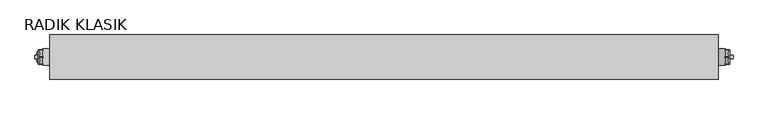
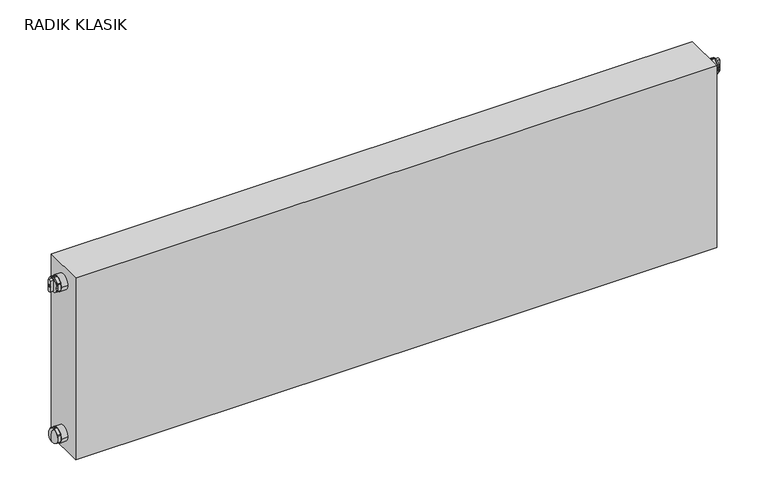
"""IFC4 building model written with IfcOpenShell, lengths in millimetres: proxy geometry, RADIK KLASIK."""

from ifc_helpers import new_model, si_unit, point, frame, frame_2d, origin, place, context, project, spatial, polyline, circle_curve, ellipse_curve, trimmed, segment, composite_curve, outline, extrude, source, transform, mapped, element, save
from ifc_brep_helpers import plane_surface, revolved_surface, advanced_brep


def radik_klasik_e88d8e5c(model_context):
    return source(origin(), model_context, "Body", "SolidModel", [
        advanced_brep(
        [(-515.0, -33.0, 114.2179803), (-519.9999931, -33.0, 125.0), (-515.0, -33.0, 135.7820197), (-515.0, -33.0, 125.0)],
        [
            (0, 1, ellipse_curve(frame((-515.0, -33.0, 125.0179803), z_axis=(0.0, 1.0, 0.0), x_axis=(0.0, 0.0, -1.0)), 10.8, 5.0)),
            (1, 2, ellipse_curve(frame((-515.0, -33.0, 124.9820197), z_axis=(0.0, 1.0, 0.0), x_axis=(0.0, 0.0, 1.0)), 10.8, 5.0)),
            (2, 0, circle_curve(frame((-515.0, -33.0, 125.0), z_axis=(-1.0, 0.0, 0.0), x_axis=(0.0, 0.0, 1.0)), 10.7820197)),
            (0, 2, circle_curve(frame((-515.0, -33.0, 125.0), z_axis=(-1.0, 0.0, 0.0), x_axis=(0.0, 0.0, 1.0)), 10.7820197)),
            (3, 0),
            (2, 3),
        ],
        [
            revolved_surface(trimmed(ellipse_curve(frame((-515.0, -33.0, 124.9820197), z_axis=(0.0, 1.0, 0.0), x_axis=(0.0, 0.0, 1.0)), 10.8, 5.0), [point((-519.9999931, -33.0, 125.0))], [point((-515.0, -33.0, 135.7820197))], True, "CARTESIAN"), (-524.1201305, -33.0, 125.0), (1.0, 0.0, 0.0)),
            plane_surface(frame((-515.0, -33.0, 125.0), z_axis=(1.0, 0.0, 0.0), x_axis=(0.0, 0.0, 1.0))),
        ],
        [
            (0, [[1, 2, 3]]),
            (0, [[-2, -1, 4]]),
            (1, [[5, -3, 6]]),
            (1, [[-6, -4, -5]]),
        ],
    ),
        extrude(outline(composite_curve([segment(trimmed(circle_curve(frame_2d((-33.0, 125.0)), 12.0), [point((-43.8253175, 130.1780788))], [point((-42.8970066, 131.7859606))], False, "CARTESIAN"), True, "CONTINUOUS"), segment(polyline([(-42.8970066, 131.7859606), (-33.928311, 136.9640394)]), True, "CONTINUOUS"), segment(trimmed(circle_curve(frame_2d((-33.0, 125.0)), 12.0), [point((-33.928311, 136.9640394))], [point((-32.071689, 136.9640394))], False, "CARTESIAN"), True, "CONTINUOUS"), segment(polyline([(-32.071689, 136.9640394), (-23.1029934, 131.7859606)]), True, "CONTINUOUS"), segment(trimmed(circle_curve(frame_2d((-33.0, 125.0)), 12.0), [point((-23.1029934, 131.7859606))], [point((-22.1746825, 130.1780788))], False, "CARTESIAN"), True, "CONTINUOUS"), segment(polyline([(-22.1746825, 130.1780788), (-22.1746825, 119.8219212)]), True, "CONTINUOUS"), segment(trimmed(circle_curve(frame_2d((-33.0, 125.0)), 12.0), [point((-22.1746825, 119.8219212))], [point((-23.1029934, 118.2140394))], False, "CARTESIAN"), True, "CONTINUOUS"), segment(polyline([(-23.1029934, 118.2140394), (-32.071689, 113.0359606)]), True, "CONTINUOUS"), segment(trimmed(circle_curve(frame_2d((-33.0, 125.0)), 12.0), [point((-32.071689, 113.0359606))], [point((-33.928311, 113.0359606))], False, "CARTESIAN"), True, "CONTINUOUS"), segment(polyline([(-33.928311, 113.0359606), (-42.8970066, 118.2140394)]), True, "CONTINUOUS"), segment(trimmed(circle_curve(frame_2d((-33.0, 125.0)), 12.0), [point((-42.8970066, 118.2140394))], [point((-43.8253175, 119.8219212))], False, "CARTESIAN"), True, "CONTINUOUS"), segment(polyline([(-43.8253175, 119.8219212), (-43.8253175, 130.1780788)]), True, "CONTINUOUS")], self_intersect=False)), frame((-515.0, 0.0, 0.0), z_axis=(1.0, 0.0, 0.0), x_axis=(0.0, 1.0, 0.0)), (0.0, 0.0, 1.0), 5.0),
        extrude(outline(composite_curve([segment(trimmed(circle_curve(frame_2d((-33.0, 125.0)), 12.0), [point((-21.0, 125.0))], [point((-45.0, 125.0))], False, "CARTESIAN"), True, "CONTINUOUS"), segment(trimmed(circle_curve(frame_2d((-33.0, 125.0)), 12.0), [point((-45.0, 125.0))], [point((-21.0, 125.0))], False, "CARTESIAN"), True, "CONTINUOUS")], self_intersect=False)), frame((-510.0, 0.0, 0.0), z_axis=(1.0, 0.0, 0.0), x_axis=(0.0, 1.0, 0.0)), (0.0, 0.0, 1.0), 10.0),
        extrude(outline(composite_curve([segment(polyline([(-33.2, 376.5), (-33.2, 373.5)]), True, "CONTINUOUS"), segment(trimmed(circle_curve(frame_2d((-33.2, 375.0)), 1.5), [point((-33.2, 373.5))], [point((-33.2, 376.5))], False, "CARTESIAN"), True, "CONTINUOUS")], self_intersect=False)), frame((-522.0, 0.0, 0.0), z_axis=(1.0, 0.0, 0.0), x_axis=(0.0, 1.0, 0.0)), (0.0, 0.0, 1.0), 22.0),
        extrude(outline(composite_curve([segment(trimmed(circle_curve(frame_2d((-32.8, 375.0)), 1.5), [point((-32.8, 376.5))], [point((-32.8, 373.5))], False, "CARTESIAN"), True, "CONTINUOUS"), segment(polyline([(-32.8, 373.5), (-32.8, 376.5)]), True, "CONTINUOUS")], self_intersect=False)), frame((-522.0, 0.0, 0.0), z_axis=(1.0, 0.0, 0.0), x_axis=(0.0, 1.0, 0.0)), (0.0, 0.0, 1.0), 22.0),
        extrude(outline(composite_curve([segment(polyline([(-35.5, 366.0), (-35.5, 384.0)]), True, "CONTINUOUS"), segment(trimmed(circle_curve(frame_2d((-33.0, 379.669873)), 5.0), [point((-35.5, 384.0))], [point((-30.5, 384.0))], False, "CARTESIAN"), True, "CONTINUOUS"), segment(polyline([(-30.5, 384.0), (-30.5, 366.0)]), True, "CONTINUOUS"), segment(trimmed(circle_curve(frame_2d((-33.0, 370.330127)), 5.0), [point((-30.5, 366.0))], [point((-35.5, 366.0))], False, "CARTESIAN"), True, "CONTINUOUS")], self_intersect=False), holes=[composite_curve([segment(trimmed(circle_curve(frame_2d((-33.0, 375.0)), 2.0), [point((-35.0, 375.0))], [point((-31.0, 375.0))], True, "CARTESIAN"), True, "CONTINUOUS"), segment(trimmed(circle_curve(frame_2d((-33.0, 375.0)), 2.0), [point((-31.0, 375.0))], [point((-35.0, 375.0))], True, "CARTESIAN"), True, "CONTINUOUS")], self_intersect=False)]), frame((-522.0, 0.0, 0.0), z_axis=(1.0, 0.0, 0.0), x_axis=(0.0, 1.0, 0.0)), (0.0, 0.0, 1.0), 5.0),
        extrude(outline(composite_curve([segment(trimmed(circle_curve(frame_2d((-33.0, 375.0)), 10.8253175), [point((-43.8253175, 375.0))], [point((-22.1746825, 375.0))], False, "CARTESIAN"), True, "CONTINUOUS"), segment(trimmed(circle_curve(frame_2d((-33.0, 375.0)), 10.8253175), [point((-22.1746825, 375.0))], [point((-43.8253175, 375.0))], False, "CARTESIAN"), True, "CONTINUOUS")], self_intersect=False)), frame((-517.0, 0.0, 0.0), z_axis=(1.0, 0.0, 0.0), x_axis=(0.0, 1.0, 0.0)), (0.0, 0.0, 1.0), 2.0),
        extrude(outline(composite_curve([segment(trimmed(circle_curve(frame_2d((-33.0, 375.0)), 12.0), [point((-43.8253175, 380.1780788))], [point((-42.8970066, 381.7859606))], False, "CARTESIAN"), True, "CONTINUOUS"), segment(polyline([(-42.8970066, 381.7859606), (-33.928311, 386.9640394)]), True, "CONTINUOUS"), segment(trimmed(circle_curve(frame_2d((-33.0, 375.0)), 12.0), [point((-33.928311, 386.9640394))], [point((-32.071689, 386.9640394))], False, "CARTESIAN"), True, "CONTINUOUS"), segment(polyline([(-32.071689, 386.9640394), (-23.1029934, 381.7859606)]), True, "CONTINUOUS"), segment(trimmed(circle_curve(frame_2d((-33.0, 375.0)), 12.0), [point((-23.1029934, 381.7859606))], [point((-22.1746825, 380.1780788))], False, "CARTESIAN"), True, "CONTINUOUS"), segment(polyline([(-22.1746825, 380.1780788), (-22.1746825, 369.8219212)]), True, "CONTINUOUS"), segment(trimmed(circle_curve(frame_2d((-33.0, 375.0)), 12.0), [point((-22.1746825, 369.8219212))], [point((-23.1029934, 368.2140394))], False, "CARTESIAN"), True, "CONTINUOUS"), segment(polyline([(-23.1029934, 368.2140394), (-32.071689, 363.0359606)]), True, "CONTINUOUS"), segment(trimmed(circle_curve(frame_2d((-33.0, 375.0)), 12.0), [point((-32.071689, 363.0359606))], [point((-33.928311, 363.0359606))], False, "CARTESIAN"), True, "CONTINUOUS"), segment(polyline([(-33.928311, 363.0359606), (-42.8970066, 368.2140394)]), True, "CONTINUOUS"), segment(trimmed(circle_curve(frame_2d((-33.0, 375.0)), 12.0), [point((-42.8970066, 368.2140394))], [point((-43.8253175, 369.8219212))], False, "CARTESIAN"), True, "CONTINUOUS"), segment(polyline([(-43.8253175, 369.8219212), (-43.8253175, 380.1780788)]), True, "CONTINUOUS")], self_intersect=False)), frame((-515.0, 0.0, 0.0), z_axis=(1.0, 0.0, 0.0), x_axis=(0.0, 1.0, 0.0)), (0.0, 0.0, 1.0), 5.0),
        extrude(outline(composite_curve([segment(trimmed(circle_curve(frame_2d((-33.0, 375.0)), 12.0), [point((-21.0, 375.0))], [point((-45.0, 375.0))], False, "CARTESIAN"), True, "CONTINUOUS"), segment(trimmed(circle_curve(frame_2d((-33.0, 375.0)), 12.0), [point((-45.0, 375.0))], [point((-21.0, 375.0))], False, "CARTESIAN"), True, "CONTINUOUS")], self_intersect=False)), frame((-510.0, 0.0, 0.0), z_axis=(1.0, 0.0, 0.0), x_axis=(0.0, 1.0, 0.0)), (0.0, 0.0, 1.0), 10.0),
        extrude(outline(composite_curve([segment(polyline([(-33.2, 376.5), (-33.2, 373.5)]), True, "CONTINUOUS"), segment(trimmed(circle_curve(frame_2d((-33.2, 375.0)), 1.5), [point((-33.2, 373.5))], [point((-33.2, 376.5))], False, "CARTESIAN"), True, "CONTINUOUS")], self_intersect=False)), frame((500.0, 0.0, 0.0), z_axis=(1.0, 0.0, 0.0), x_axis=(0.0, 1.0, 0.0)), (0.0, 0.0, 1.0), 22.0),
        extrude(outline(composite_curve([segment(trimmed(circle_curve(frame_2d((-32.8, 375.0)), 1.5), [point((-32.8, 376.5))], [point((-32.8, 373.5))], False, "CARTESIAN"), True, "CONTINUOUS"), segment(polyline([(-32.8, 373.5), (-32.8, 376.5)]), True, "CONTINUOUS")], self_intersect=False)), frame((500.0, 0.0, 0.0), z_axis=(1.0, 0.0, 0.0), x_axis=(0.0, 1.0, 0.0)), (0.0, 0.0, 1.0), 22.0),
        extrude(outline(composite_curve([segment(polyline([(-35.5, 366.0), (-35.5, 384.0)]), True, "CONTINUOUS"), segment(trimmed(circle_curve(frame_2d((-33.0, 379.669873)), 5.0), [point((-35.5, 384.0))], [point((-30.5, 384.0))], False, "CARTESIAN"), True, "CONTINUOUS"), segment(polyline([(-30.5, 384.0), (-30.5, 366.0)]), True, "CONTINUOUS"), segment(trimmed(circle_curve(frame_2d((-33.0, 370.330127)), 5.0), [point((-30.5, 366.0))], [point((-35.5, 366.0))], False, "CARTESIAN"), True, "CONTINUOUS")], self_intersect=False), holes=[composite_curve([segment(trimmed(circle_curve(frame_2d((-33.0, 375.0)), 2.0), [point((-35.0, 375.0))], [point((-31.0, 375.0))], True, "CARTESIAN"), True, "CONTINUOUS"), segment(trimmed(circle_curve(frame_2d((-33.0, 375.0)), 2.0), [point((-31.0, 375.0))], [point((-35.0, 375.0))], True, "CARTESIAN"), True, "CONTINUOUS")], self_intersect=False)]), frame((517.0, 0.0, 0.0), z_axis=(1.0, 0.0, 0.0), x_axis=(0.0, 1.0, 0.0)), (0.0, 0.0, 1.0), 5.0),
        extrude(outline(composite_curve([segment(trimmed(circle_curve(frame_2d((-33.0, 375.0)), 10.8253175), [point((-43.8253175, 375.0))], [point((-22.1746825, 375.0))], False, "CARTESIAN"), True, "CONTINUOUS"), segment(trimmed(circle_curve(frame_2d((-33.0, 375.0)), 10.8253175), [point((-22.1746825, 375.0))], [point((-43.8253175, 375.0))], False, "CARTESIAN"), True, "CONTINUOUS")], self_intersect=False)), frame((515.0, 0.0, 0.0), z_axis=(1.0, 0.0, 0.0), x_axis=(0.0, 1.0, 0.0)), (0.0, 0.0, 1.0), 2.0),
        extrude(outline(composite_curve([segment(polyline([(-42.8970066, 381.7859606), (-33.928311, 386.9640394)]), True, "CONTINUOUS"), segment(trimmed(circle_curve(frame_2d((-33.0, 375.0)), 12.0), [point((-33.928311, 386.9640394))], [point((-32.071689, 386.9640394))], False, "CARTESIAN"), True, "CONTINUOUS"), segment(polyline([(-32.071689, 386.9640394), (-23.1029934, 381.7859606)]), True, "CONTINUOUS"), segment(trimmed(circle_curve(frame_2d((-33.0, 375.0)), 12.0), [point((-23.1029934, 381.7859606))], [point((-22.1746825, 380.1780788))], False, "CARTESIAN"), True, "CONTINUOUS"), segment(polyline([(-22.1746825, 380.1780788), (-22.1746825, 369.8219212)]), True, "CONTINUOUS"), segment(trimmed(circle_curve(frame_2d((-33.0, 375.0)), 12.0), [point((-22.1746825, 369.8219212))], [point((-23.1029934, 368.2140394))], False, "CARTESIAN"), True, "CONTINUOUS"), segment(polyline([(-23.1029934, 368.2140394), (-32.071689, 363.0359606)]), True, "CONTINUOUS"), segment(trimmed(circle_curve(frame_2d((-33.0, 375.0)), 12.0), [point((-32.071689, 363.0359606))], [point((-33.928311, 363.0359606))], False, "CARTESIAN"), True, "CONTINUOUS"), segment(polyline([(-33.928311, 363.0359606), (-42.8970066, 368.2140394)]), True, "CONTINUOUS"), segment(trimmed(circle_curve(frame_2d((-33.0, 375.0)), 12.0), [point((-42.8970066, 368.2140394))], [point((-43.8253175, 369.8219212))], False, "CARTESIAN"), True, "CONTINUOUS"), segment(polyline([(-43.8253175, 369.8219212), (-43.8253175, 380.1780788)]), True, "CONTINUOUS"), segment(trimmed(circle_curve(frame_2d((-33.0, 375.0)), 12.0), [point((-43.8253175, 380.1780788))], [point((-42.8970066, 381.7859606))], False, "CARTESIAN"), True, "CONTINUOUS")], self_intersect=False)), frame((510.0, 0.0, 0.0), z_axis=(1.0, 0.0, 0.0), x_axis=(0.0, 1.0, 0.0)), (0.0, 0.0, 1.0), 5.0),
        extrude(outline(composite_curve([segment(trimmed(circle_curve(frame_2d((-33.0, 375.0)), 12.0), [point((-45.0, 375.0))], [point((-21.0, 375.0))], False, "CARTESIAN"), True, "CONTINUOUS"), segment(trimmed(circle_curve(frame_2d((-33.0, 375.0)), 12.0), [point((-21.0, 375.0))], [point((-45.0, 375.0))], False, "CARTESIAN"), True, "CONTINUOUS")], self_intersect=False)), frame((500.0, 0.0, 0.0), z_axis=(1.0, 0.0, 0.0), x_axis=(0.0, 1.0, 0.0)), (0.0, 0.0, 1.0), 10.0),
        extrude(outline(polyline([(500.0, 0.0), (500.0, -66.0), (-500.0, -66.0), (-500.0, 0.0), (500.0, 0.0)])), frame((0.0, 0.0, 100.0), z_axis=(0.0, 0.0, 1.0), x_axis=(1.0, 0.0, 0.0)), (0.0, 0.0, 1.0), 300.0),
    ])


if __name__ == "__main__":
    model = new_model("IFC4")
    model_context = context("Model", 3, world=origin())
    ifc_project = project(units=[si_unit("LENGTHUNIT", "METRE", prefix="MILLI")], contexts=[model_context])
    site = spatial("IfcSite", under=ifc_project)
    building = spatial("IfcBuilding", under=site)
    placement = place(None, origin())
    radik_klasik_shape = radik_klasik_e88d8e5c(model_context)
    element("IfcBuildingElementProxy", 1, Name="RADIK KLASIK", ObjectType="RADIK KLASIK", at=placement, inside=building, context=model_context, shape_type="MappedRepresentation", body=[
        mapped(radik_klasik_shape, transform((0.0, 0.0, 0.0), x_axis=(1.0, 0.0, 0.0), y_axis=(0.0, 1.0, 0.0), z_axis=(0.0, 0.0, 1.0))),
    ])
    save(model, "model.ifc")
